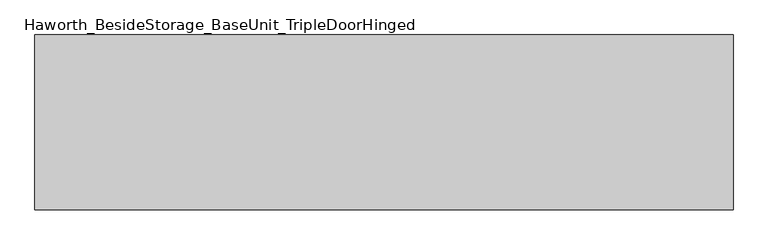
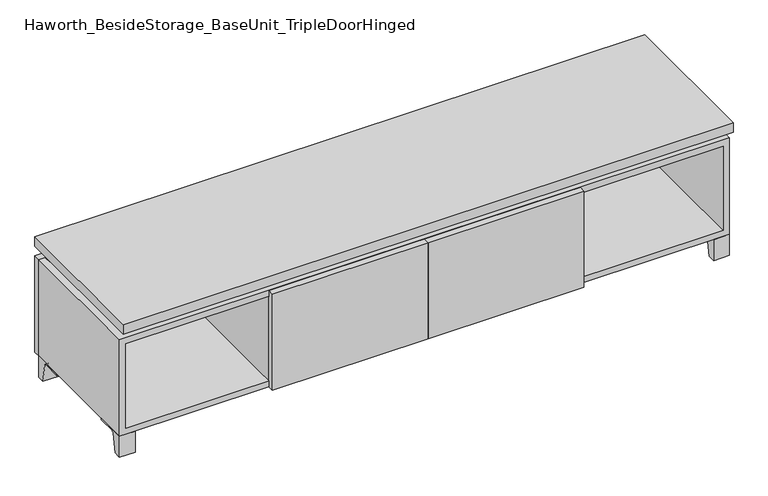
"""IFC4 building model written with IfcOpenShell, lengths in millimetres: furniture geometry, Haworth_BesideStorage_BaseUnit_TripleDoorHinged."""

from ifc_helpers import new_model, si_unit, point, frame, frame_2d, origin, place, context, project, spatial, polyline, circle_curve, trimmed, segment, composite_curve, outline, extrude, faceted_brep, source, transform, mapped, element, save


def haworth_besidestorage_baseunit_tripledoorhinged_fc2725d4(model_context):
    return source(origin(), model_context, "Body", "SolidModel", [
        extrude(outline(composite_curve([segment(polyline([(38.6291531, 0.0), (15.875, 0.0), (15.875, 66.675), (111.125, 66.675), (111.125, 61.8963321), (54.3244655, 61.8963321)]), True, "CONTINUOUS"), segment(trimmed(circle_curve(frame_2d((54.3244655, 55.5463321)), 6.35), [point((54.3244655, 61.8963321))], [point((48.0608641, 56.5902656))], True, "CARTESIAN"), True, "CONTINUOUS"), segment(polyline([(48.0608641, 56.5902656), (38.6291531, 0.0)]), True, "CONTINUOUS")], self_intersect=False)), frame((-23.7986094, 0.0, 0.0), z_axis=(1.0, 0.0, 0.0), x_axis=(0.0, 1.0, 0.0)), (0.0, 0.0, 1.0), 47.625),
        extrude(outline(composite_curve([segment(polyline([(-129.6458469, 0.0), (-152.4, 0.0), (-152.4, 66.675), (-57.15, 66.675), (-57.15, 61.8963321), (-113.9505345, 61.8963321)]), True, "CONTINUOUS"), segment(trimmed(circle_curve(frame_2d((-113.9505345, 55.5463321)), 6.35), [point((-113.9505345, 61.8963321))], [point((-120.2141359, 56.5902656))], True, "CARTESIAN"), True, "CONTINUOUS"), segment(polyline([(-120.2141359, 56.5902656), (-129.6458469, 0.0)]), True, "CONTINUOUS")], self_intersect=False)), frame((865.2013906, 0.0, 0.0), z_axis=(1.0, 0.0, 0.0), x_axis=(0.0, 1.0, 0.0)), (0.0, 0.0, 1.0), 47.625),
        extrude(outline(composite_curve([segment(polyline([(243.9458469, 0.0), (234.5141359, 56.5902656)]), True, "CONTINUOUS"), segment(trimmed(circle_curve(frame_2d((228.2505345, 55.5463321)), 6.35), [point((234.5141359, 56.5902656))], [point((228.2505345, 61.8963321))], True, "CARTESIAN"), True, "CONTINUOUS"), segment(polyline([(228.2505345, 61.8963321), (171.45, 61.8963321), (171.45, 66.675), (266.7, 66.675), (266.7, 0.0), (243.9458469, 0.0)]), True, "CONTINUOUS")], self_intersect=False)), frame((865.2013906, 0.0, 0.0), z_axis=(1.0, 0.0, 0.0), x_axis=(0.0, 1.0, 0.0)), (0.0, 0.0, 1.0), 47.625),
        extrude(outline(composite_curve([segment(polyline([(-129.6458469, 0.0), (-152.4, 0.0), (-152.4, 66.675), (-57.15, 66.675), (-57.15, 61.8963321), (-113.9505345, 61.8963321)]), True, "CONTINUOUS"), segment(trimmed(circle_curve(frame_2d((-113.9505345, 55.5463321)), 6.35), [point((-113.9505345, 61.8963321))], [point((-120.2141359, 56.5902656))], True, "CARTESIAN"), True, "CONTINUOUS"), segment(polyline([(-120.2141359, 56.5902656), (-129.6458469, 0.0)]), True, "CONTINUOUS")], self_intersect=False)), frame((-912.7986094, 0.0, 0.0), z_axis=(1.0, 0.0, 0.0), x_axis=(0.0, 1.0, 0.0)), (0.0, 0.0, 1.0), 47.625),
        extrude(outline(composite_curve([segment(polyline([(243.9458469, 0.0), (234.5141359, 56.5902656)]), True, "CONTINUOUS"), segment(trimmed(circle_curve(frame_2d((228.2505345, 55.5463321)), 6.35), [point((234.5141359, 56.5902656))], [point((228.2505345, 61.8963321))], True, "CARTESIAN"), True, "CONTINUOUS"), segment(polyline([(228.2505345, 61.8963321), (171.45, 61.8963321), (171.45, 66.675), (266.7, 66.675), (266.7, 0.0), (243.9458469, 0.0)]), True, "CONTINUOUS")], self_intersect=False)), frame((-912.7986094, 0.0, 0.0), z_axis=(1.0, 0.0, 0.0), x_axis=(0.0, 1.0, 0.0)), (0.0, 0.0, 1.0), 47.625),
        faceted_brep([(-912.7986094, -152.4, 66.675), (912.8125, -152.4, 66.675), (912.8125, -152.4, 371.475), (-912.7986094, -152.4, 371.475), (-893.7486094, -152.4, 85.725), (-893.7486094, -152.4, 352.425), (893.7694453, -152.4, 352.425), (893.7486094, -152.4, 85.725), (-912.7986094, 266.7, 66.675), (-912.7986094, 266.7, 371.475), (-893.7486094, 266.7, 371.475), (-893.7486094, 266.7, 85.725), (893.7486094, 266.7, 85.725), (893.7486094, 266.7, 371.475), (912.8125, 266.7, 371.475), (912.8125, 266.7, 66.675), (893.7486094, 241.3, 371.475), (-893.7416641, 241.3, 371.475), (-893.7486094, 241.3, 352.425), (893.7486094, 241.3, 352.425)], [[[0, 1, 2, 3], [4, 5, 6, 7]], [[8, 9, 10, 11, 12, 13, 14, 15]], [[1, 0, 8, 15]], [[2, 1, 15, 14]], [[3, 2, 14, 13, 16, 17, 10, 9]], [[0, 3, 9, 8]], [[11, 10, 17, 18, 5, 4]], [[13, 12, 7, 6, 19, 16]], [[4, 7, 12, 11]], [[6, 5, 18, 19]], [[17, 16, 19, 18]]]),
        extrude(outline(polyline([(912.8263906, -171.45), (-912.7986094, -171.45), (-912.7986094, 285.75), (912.8263906, 285.75), (912.8263906, -171.45)])), frame((0.0, 0.0, 401.6375), z_axis=(0.0, 0.0, 1.0), x_axis=(1.0, 0.0, 0.0)), (0.0, 0.0, 1.0), 30.1625),
        faceted_brep([(7.9513906, -76.2, 401.6375), (7.9513906, -76.2, 371.475), (7.9513906, 47.625, 371.475), (7.9513906, 47.625, 401.6375), (7.9513906, 190.5, 371.475), (7.9513906, 190.5, 401.6375), (7.9513906, 66.675, 401.6375), (7.9513906, 66.675, 371.475), (-7.9236094, 190.5, 401.6375), (-7.9236094, 190.5, 371.475), (-7.9236094, 66.675, 371.475), (-7.9236094, 66.675, 401.6375), (-7.9236094, -76.2, 371.475), (-7.9236094, -76.2, 401.6375), (-7.9236094, 47.625, 401.6375), (-7.9236094, 47.625, 371.475), (-871.4958281, 66.675, 401.6375), (-871.5166641, 241.3, 401.6375), (-887.3916641, 241.3, 401.6375), (-887.3916641, -127.0, 401.6375), (-871.5166641, -127.0, 401.6375), (-871.5166641, 47.625, 401.6375), (871.5236094, 47.625, 401.6375), (871.5236094, -127.0, 401.6375), (887.3986094, -127.0, 401.6375), (887.3986094, 241.3, 401.6375), (871.5236094, 241.3, 401.6375), (871.5236094, 66.675, 401.6375), (-871.4958281, 47.625, 371.475), (-871.5166641, -127.0, 371.475), (-887.3916641, -127.0, 371.475), (-887.3916641, 241.3, 371.475), (-871.5166641, 241.3, 371.475), (-871.5166641, 66.675, 371.475), (871.5236094, 66.675, 371.475), (871.5236094, 241.3, 371.475), (887.3986094, 241.3, 371.475), (887.3986094, -127.0, 371.475), (871.5236094, -127.0, 371.475), (871.5236094, 47.625, 371.475)], [[[0, 1, 2, 3]], [[4, 5, 6, 7]], [[8, 9, 10, 11]], [[12, 13, 14, 15]], [[5, 8, 11, 16, 17, 18, 19, 20, 21, 14, 13, 0, 3, 22, 23, 24, 25, 26, 27, 6]], [[1, 12, 15, 28, 29, 30, 31, 32, 33, 10, 9, 4, 7, 34, 35, 36, 37, 38, 39, 2]], [[5, 4, 9, 8]], [[1, 0, 13, 12]], [[6, 27, 34, 7]], [[22, 3, 2, 39]], [[20, 29, 28, 21]], [[32, 17, 16, 33]], [[18, 31, 30, 19]], [[29, 20, 19, 30]], [[17, 32, 31, 18]], [[26, 35, 34, 27]], [[38, 23, 22, 39]], [[25, 24, 37, 36]], [[23, 38, 37, 24]], [[35, 26, 25, 36]], [[16, 11, 10, 33]], [[14, 21, 28, 15]]]),
        extrude(outline(polyline([(912.8263906, 266.7), (-912.7986094, 266.7), (-912.7986094, 285.75), (912.8263906, 285.75), (912.8263906, 266.7)])), frame((0.0, 0.0, 66.675), z_axis=(0.0, 0.0, 1.0), x_axis=(1.0, 0.0, 0.0)), (0.0, 0.0, 1.0), 304.8),
        extrude(outline(polyline([(-893.7416641, 196.85), (-893.7416641, 203.2), (893.7694453, 203.2), (893.7694453, 196.85), (-893.7416641, 196.85)])), frame((0.0, 0.0, 85.725), z_axis=(0.0, 0.0, 1.0), x_axis=(1.0, 0.0, 0.0)), (0.0, 0.0, 1.0), 266.7),
        extrude(outline(polyline([(0.0138906, -171.45), (0.0138906, -152.4), (465.9451406, -152.4), (465.9451406, -171.45), (0.0138906, -171.45)])), frame((0.0, 0.0, 66.675), z_axis=(0.0, 0.0, 1.0), x_axis=(1.0, 0.0, 0.0)), (0.0, 0.0, 1.0), 304.8),
        extrude(outline(polyline([(0.0138906, -171.45), (-465.9173594, -171.45), (-465.9173594, -152.4), (0.0138906, -152.4), (0.0138906, -171.45)])), frame((0.0, 0.0, 66.675), z_axis=(0.0, 0.0, 1.0), x_axis=(1.0, 0.0, 0.0)), (0.0, 0.0, 1.0), 304.8),
        extrude(outline(polyline([(446.8951406, 196.85), (465.9451406, 196.85), (465.9451406, -152.4), (446.8951406, -152.4), (446.8951406, 196.85)])), frame((0.0, 0.0, 85.725), z_axis=(0.0, 0.0, 1.0), x_axis=(1.0, 0.0, 0.0)), (0.0, 0.0, 1.0), 266.7),
        extrude(outline(polyline([(-465.9173594, 196.85), (-446.8673594, 196.85), (-446.8673594, -152.4), (-465.9173594, -152.4), (-465.9173594, 196.85)])), frame((0.0, 0.0, 85.725), z_axis=(0.0, 0.0, 1.0), x_axis=(1.0, 0.0, 0.0)), (0.0, 0.0, 1.0), 266.7),
    ])


if __name__ == "__main__":
    model = new_model("IFC4")
    model_context = context("Model", 3, world=origin())
    ifc_project = project(units=[si_unit("LENGTHUNIT", "METRE", prefix="MILLI")], contexts=[model_context])
    site = spatial("IfcSite", under=ifc_project)
    building = spatial("IfcBuilding", under=site)
    placement = place(None, origin())
    haworth_besidestorage_baseunit_tripledoorhinged_shape = haworth_besidestorage_baseunit_tripledoorhinged_fc2725d4(model_context)
    element("IfcFurniture", 1, ObjectType="Haworth_BesideStorage_BaseUnit_TripleDoorHinged", at=placement, inside=building, context=model_context, shape_type="MappedRepresentation", body=[
        mapped(haworth_besidestorage_baseunit_tripledoorhinged_shape, transform((0.0, 0.0, 0.0), x_axis=(1.0, 0.0, 0.0), y_axis=(0.0, 1.0, 0.0), z_axis=(0.0, 0.0, 1.0))),
    ])
    save(model, "model.ifc")
